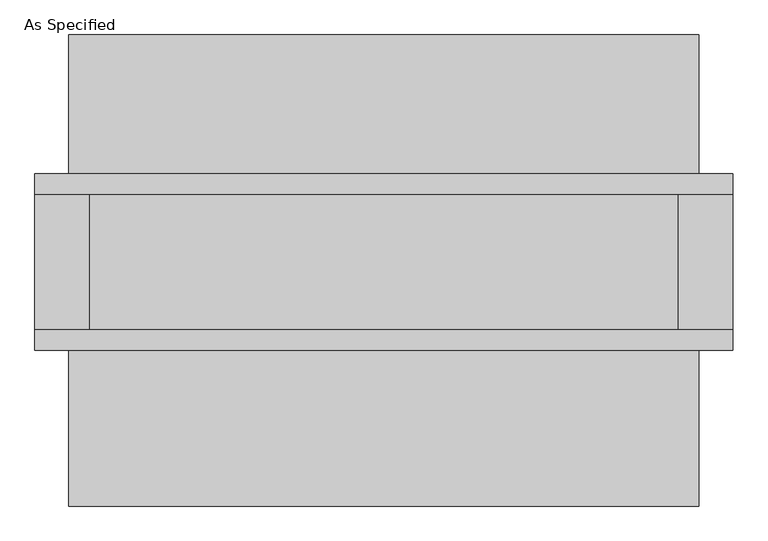
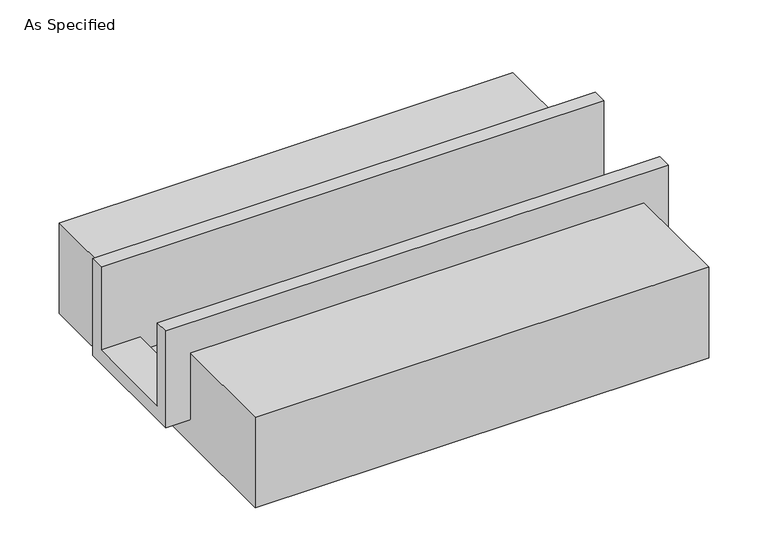
"""IFC4 building model written with IfcOpenShell, lengths in millimetres: proxy geometry, As Specified."""

from ifc_helpers import new_model, si_unit, frame, origin, place, context, project, spatial, polyline, outline, extrude, faceted_brep, source, transform, mapped, element, save


def as_specified_9c81f421(model_context):
    return source(origin(), model_context, "Body", "SolidModel", [
        faceted_brep([(-1308.1, 285.75, 139.7), (-1308.1, 361.95, 139.7), (-1308.1, 361.95, -393.7), (-1308.1, -298.45, -393.7), (-1308.1, -298.45, 139.7), (-1308.1, -222.25, 139.7), (-1308.1, -222.25, -317.5), (-1308.1, 285.75, -317.5), (1308.1, 285.75, 139.7), (1308.1, 285.75, -317.5), (1308.1, -222.25, -317.5), (1308.1, -222.25, 139.7), (1308.1, -298.45, 139.7), (1308.1, -298.45, -393.7), (1308.1, 361.95, -393.7), (1308.1, 361.95, 139.7), (1104.9, -222.25, -393.7), (1104.9, 285.75, -393.7), (-1104.9, 285.75, -393.7), (-1104.9, -222.25, -393.7), (1104.9, -222.25, -317.5), (-1104.9, -222.25, -317.5), (-1104.9, 285.75, -317.5), (1104.9, 285.75, -317.5)], [[[0, 1, 2, 3, 4, 5, 6, 7]], [[8, 9, 10, 11, 12, 13, 14, 15]], [[1, 0, 8, 15]], [[2, 1, 15, 14]], [[3, 2, 14, 13], [16, 17, 18, 19]], [[4, 3, 13, 12]], [[5, 4, 12, 11]], [[6, 5, 11, 10, 20, 16, 19, 21]], [[7, 6, 21, 22]], [[10, 9, 23, 20]], [[0, 7, 22, 18, 17, 23, 9, 8]], [[16, 20, 23, 17]], [[21, 19, 18, 22]]]),
        extrude(outline(polyline([(882.65, -25.4), (882.65, -523.9742188), (-882.65, -523.9742188), (-882.65, -25.4), (-298.45, -25.4), (-298.45, -393.7), (361.95, -393.7), (361.95, -25.4), (882.65, -25.4)])), frame((-1181.1, 0.0, 0.0), z_axis=(1.0, 0.0, 0.0), x_axis=(0.0, 1.0, 0.0)), (0.0, 0.0, 1.0), 2362.2),
    ])


if __name__ == "__main__":
    model = new_model("IFC4")
    model_context = context("Model", 3, world=origin())
    ifc_project = project(units=[si_unit("LENGTHUNIT", "METRE", prefix="MILLI")], contexts=[model_context])
    site = spatial("IfcSite", under=ifc_project)
    building = spatial("IfcBuilding", under=site)
    placement = place(None, origin())
    as_specified_shape = as_specified_9c81f421(model_context)
    element("IfcBuildingElementProxy", 1, Name="As Specified", ObjectType="As Specified", at=placement, inside=building, context=model_context, shape_type="MappedRepresentation", body=[
        mapped(as_specified_shape, transform((0.0, 0.0, 0.0), x_axis=(1.0, 0.0, 0.0), y_axis=(0.0, 1.0, 0.0), z_axis=(0.0, 0.0, 1.0))),
    ])
    save(model, "model.ifc")
